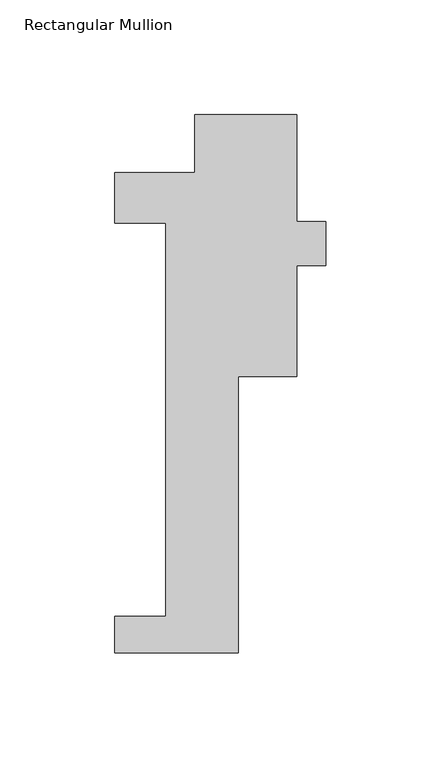
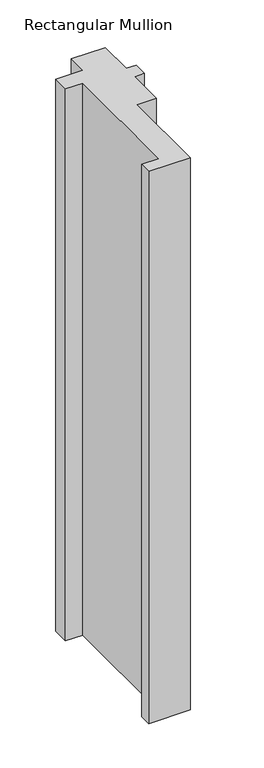
"""IFC4 building model written with IfcOpenShell, lengths in millimetres: member geometry, Rectangular Mullion."""

from ifc_helpers import new_model, si_unit, frame, origin, place, context, project, spatial, polyline, outline, extrude, source, transform, mapped, element, save


def rectangular_mullion_f60133d8(model_context):
    return source(origin(), model_context, "Body", "SweptSolid", [
        extrude(outline(polyline([(15.875, -221.996), (-38.1, -221.996), (-38.1, -206.121), (-15.875, -206.121), (-15.875, -34.671), (-38.1, -34.671), (-38.1, -12.7), (-3.175, -12.7), (-3.175, 12.7), (41.275, 12.7), (41.275, -34.0209981), (53.9837706, -34.0209981), (53.9837706, -53.0709981), (41.275, -53.0709981), (41.275, -101.6), (15.875, -101.6), (15.875, -221.996)])), frame((0.0, 0.0, -758.825), z_axis=(0.0, 0.0, 1.0), x_axis=(1.0, 0.0, 0.0)), (0.0, 0.0, 1.0), 758.825),
    ])


if __name__ == "__main__":
    model = new_model("IFC4")
    model_context = context("Model", 3, world=origin())
    ifc_project = project(units=[si_unit("LENGTHUNIT", "METRE", prefix="MILLI")], contexts=[model_context])
    site = spatial("IfcSite", under=ifc_project)
    building = spatial("IfcBuilding", under=site)
    placement = place(None, origin())
    rectangular_mullion_shape = rectangular_mullion_f60133d8(model_context)
    element("IfcMember", 1, ObjectType="Rectangular Mullion", at=placement, inside=building, context=model_context, shape_type="MappedRepresentation", body=[
        mapped(rectangular_mullion_shape, transform((0.0, 0.0, 0.0), x_axis=(1.0, 0.0, 0.0), y_axis=(0.0, 1.0, 0.0), z_axis=(0.0, 0.0, 1.0))),
    ])
    save(model, "model.ifc")
